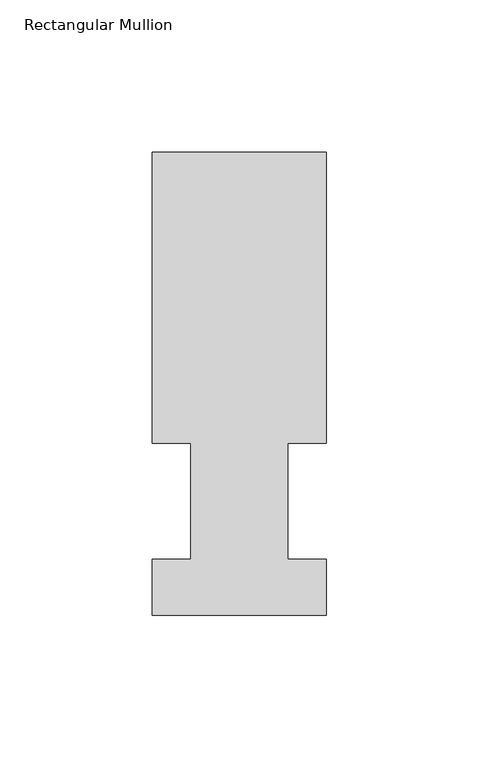
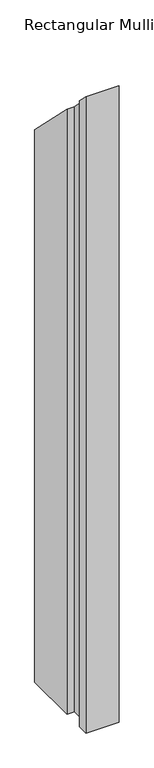
"""IFC4 building model written with IfcOpenShell, lengths in millimetres: member geometry, Rectangular Mullion."""

import ifcopenshell
import ifcopenshell.guid

model = None  # the IFC model being written
_history = None  # IfcOwnerHistory: only IFC2X3 demands one
_inside = {}  # id of a spatial element -> (the spatial element, [elements in it])
_under = {}  # id of a project, library or spatial element -> (it, [spatial elements below it])
_declared = {}  # id of a project -> (the project, [libraries it declares])
_typed = {}  # id of a type object -> (the type object, [elements of that type])
_made_of = {}  # id of a material, layer set ... -> (it, [elements and type objects made of it])


def new_model(schema):
    """Start an empty IFC model of exactly this schema.

    Asked for "IFC4X3", IfcOpenShell would pick the latest addendum, in which some entities
    have other attributes; the version numbers below select the first issue.
    IFC2X3 requires an IfcOwnerHistory on every rooted entity: one is made here for all.
    """
    global model, _history
    if schema == "IFC4X3":
        model = ifcopenshell.file(schema_version=(4, 3, 0, 0))
    else:
        model = ifcopenshell.file(schema=schema)
    _inside.clear()
    _under.clear()
    _declared.clear()
    _typed.clear()
    _made_of.clear()
    _history = None
    if model.schema == "IFC2X3":
        org = make("IfcOrganization", Name="unknown")
        user = make(
            "IfcPersonAndOrganization",
            ThePerson=make("IfcPerson", FamilyName="unknown"),
            TheOrganization=org,
        )
        app = make(
            "IfcApplication",
            ApplicationDeveloper=org,
            Version="unknown",
            ApplicationFullName="unknown",
            ApplicationIdentifier="unknown",
        )
        _history = make(
            "IfcOwnerHistory",
            OwningUser=user,
            OwningApplication=app,
            ChangeAction="ADDED",
            CreationDate=0,
        )
    return model


def make(cls, **values):
    """One entity of the class cls with the attributes given. An attribute that is None is left unset."""
    return model.create_entity(
        cls, **{name: value for name, value in values.items() if value is not None}
    )


def rooted(cls, **values):
    """An entity with a GlobalId (a new one), such as an element, a storey or a relation."""
    return make(cls, GlobalId=ifcopenshell.guid.new(), OwnerHistory=_history, **values)


def si_unit(unit_type, name, prefix=None):
    """IfcSIUnit, for example si_unit("LENGTHUNIT", "METRE", prefix="MILLI")."""
    return make("IfcSIUnit", UnitType=unit_type, Prefix=prefix, Name=name)


def assignment(units):
    """IfcUnitAssignment: the units of a project."""
    return None if units is None else make("IfcUnitAssignment", Units=units)


def point(xyz):
    """IfcCartesianPoint."""
    return None if xyz is None else make("IfcCartesianPoint", Coordinates=xyz)


def direction(xyz):
    """IfcDirection."""
    return None if xyz is None else make("IfcDirection", DirectionRatios=xyz)


def frame(location, z_axis=None, x_axis=None):
    """IfcAxis2Placement3D, a coordinate frame: its origin and axes. An axis left out is left unset."""
    return make(
        "IfcAxis2Placement3D",
        Location=point(location),
        Axis=direction(z_axis),
        RefDirection=direction(x_axis),
    )


def origin():
    """The frame at (0, 0, 0) with its axes left unset."""
    return frame((0.0, 0.0, 0.0))


def place(relative_to, where):
    """IfcLocalPlacement: puts the frame where relative to a parent placement (None: the world)."""
    return make(
        "IfcLocalPlacement", PlacementRelTo=relative_to, RelativePlacement=where
    )


def context(
    kind, dimensions, precision=None, world=None, true_north=None, identifier=None
):
    """IfcGeometricRepresentationContext, for example the 3D "Model" context."""
    return make(
        "IfcGeometricRepresentationContext",
        ContextIdentifier=identifier,
        ContextType=kind,
        CoordinateSpaceDimension=dimensions,
        Precision=precision,
        WorldCoordinateSystem=world,
        TrueNorth=true_north,
    )


def project(units=None, contexts=None):
    """IfcProject with its units and contexts."""
    return rooted(
        "IfcProject",
        Name="project",
        RepresentationContexts=contexts,
        UnitsInContext=assignment(units),
    )


def spatial(cls, under=None, at=None, **own):
    """A site, building, storey or space (cls), placed at a placement, below another one or the project."""
    s = rooted(cls, ObjectPlacement=at, **own)
    if under is not None:
        _under.setdefault(under.id(), (under, []))[1].append(s)
    return s


def faces_of(points, faces, orient=None, outer=None):
    """IfcFace entities. A face is a list of loops; a loop is a list of indices into points, from 0.

    orient and outer hold one flag for each loop. By default every Orientation is true, the
    first loop of a face is its IfcFaceOuterBound and the others are IfcFaceBound.
    """
    made = []
    for i, loops in enumerate(faces):
        bounds = []
        for j, loop in enumerate(loops):
            is_outer = j == 0 if outer is None else outer[i][j]
            bounds.append(
                make(
                    "IfcFaceOuterBound" if is_outer else "IfcFaceBound",
                    Bound=make("IfcPolyLoop", Polygon=[points[k] for k in loop]),
                    Orientation=True if orient is None else orient[i][j],
                )
            )
        made.append(make("IfcFace", Bounds=bounds))
    return made


def faceted_brep(points, faces, orient=None, outer=None, voids=None):
    """IfcFacetedBrep: a solid bounded by flat faces; with voids (closed shells), ...WithVoids."""
    shared = [point(p) for p in points]
    hull = make("IfcClosedShell", CfsFaces=faces_of(shared, faces, orient, outer))
    if voids is None:
        return make("IfcFacetedBrep", Outer=hull)
    return make(
        "IfcFacetedBrepWithVoids",
        Outer=hull,
        Voids=[
            make(cls, CfsFaces=faces_of(shared, fs, o, b)) for cls, fs, o, b in voids
        ],
    )


def shape(context_of_items, identifier, shape_type, items):
    """IfcShapeRepresentation: the items that make up one representation, for example the "Body"."""
    return make(
        "IfcShapeRepresentation",
        ContextOfItems=context_of_items,
        RepresentationIdentifier=identifier,
        RepresentationType=shape_type,
        Items=items,
    )


def source(mapping_origin, context_of_items, identifier, shape_type, items):
    """IfcRepresentationMap: a shape defined once, which mapped items show again and again."""
    return make(
        "IfcRepresentationMap",
        MappingOrigin=mapping_origin,
        MappedRepresentation=shape(context_of_items, identifier, shape_type, items),
    )


def transform(
    local_origin,
    x_axis=None,
    y_axis=None,
    z_axis=None,
    scale=None,
    scale2=None,
    scale3=None,
    uniform=True,
):
    """IfcCartesianTransformationOperator3D, or its non-uniform kind. x_axis, y_axis, z_axis: its Axis1, 2, 3."""
    if uniform:
        return make(
            "IfcCartesianTransformationOperator3D",
            Axis1=direction(x_axis),
            Axis2=direction(y_axis),
            LocalOrigin=point(local_origin),
            Scale=scale,
            Axis3=direction(z_axis),
        )
    return make(
        "IfcCartesianTransformationOperator3DnonUniform",
        Axis1=direction(x_axis),
        Axis2=direction(y_axis),
        LocalOrigin=point(local_origin),
        Scale=scale,
        Axis3=direction(z_axis),
        Scale2=scale2,
        Scale3=scale3,
    )


def mapped(mapping_source, mapping_target):
    """IfcMappedItem: shows the shape of a source again, moved by a transform."""
    return make(
        "IfcMappedItem", MappingSource=mapping_source, MappingTarget=mapping_target
    )


def made_of(thing, what):
    """Note that an element or type object is made of a material, layer set ...; save() writes the relation."""
    if what is not None:
        _made_of.setdefault(what.id(), (what, []))[1].append(thing)
    return thing


def element(
    cls,
    number,
    at=None,
    inside=None,
    cuts=None,
    type_object=None,
    material=None,
    context=None,
    identifier="Body",
    shape_type=None,
    held_by="IfcProductDefinitionShape",
    body=None,
    shapes=None,
    **own,
):
    """One element of the class cls, such as IfcWall. Its Tag is "e" and its number.

    at: its placement. inside: the storey or other place that contains it. cuts: it is an
    opening in that element (IfcRelVoidsElement). A single representation is given by context,
    identifier, shape_type and body (its items); several are given by shapes. held_by: the class
    of the entity that holds the representations. save() writes the other relations.
    """
    e = rooted(cls, Tag="e%d" % number, ObjectPlacement=at, **own)
    if body is not None:
        shapes = [shape(context, identifier, shape_type, body)]
    if shapes is not None:
        e.Representation = make(held_by, Representations=shapes)
    if inside is not None:
        _inside.setdefault(inside.id(), (inside, []))[1].append(e)
    if cuts is not None:
        rooted(
            "IfcRelVoidsElement", RelatingBuildingElement=cuts, RelatedOpeningElement=e
        )
    if type_object is not None:
        _typed.setdefault(type_object.id(), (type_object, []))[1].append(e)
    return made_of(e, material)


def aggregate(whole, parts):
    """IfcRelAggregates: a whole, such as a stair, and the parts it consists of."""
    return rooted("IfcRelAggregates", RelatingObject=whole, RelatedObjects=parts)


def save(model, path):
    """Write the relations noted so far, then the file.

    IfcRelAggregates (storeys below a building ...), IfcRelContainedInSpatialStructure (elements
    in a storey), IfcRelDefinesByType, IfcRelAssociatesMaterial and IfcRelDeclares: one each for
    every whole, place, type object, material and project.
    """
    for whole, parts in _under.values():
        aggregate(whole, parts)
    for where, things in _inside.values():
        rooted(
            "IfcRelContainedInSpatialStructure",
            RelatedElements=things,
            RelatingStructure=where,
        )
    for kind, things in _typed.values():
        rooted("IfcRelDefinesByType", RelatedObjects=things, RelatingType=kind)
    for what, things in _made_of.values():
        rooted("IfcRelAssociatesMaterial", RelatedObjects=things, RelatingMaterial=what)
    for by, libraries in _declared.values():
        rooted("IfcRelDeclares", RelatingContext=by, RelatedDefinitions=libraries)
    model.write(path)


def rectangular_mullion_9b61cf0e(model_context):
    return source(origin(), model_context, "Body", "Brep", [
        faceted_brep([(0.0, 151.98725, -1152.46785), (0.0, 56.35625, -1152.46785), (-12.7, 56.35625, -1152.46785), (-12.7, 18.25625, -1152.46785), (0.0, 18.25625, -1152.46785), (0.0, -0.03175, -1152.46785), (-57.15, -0.03175, -1152.46785), (-57.15, 18.25625, -1152.46785), (-44.45, 18.25625, -1152.46785), (-44.45, 56.35625, -1152.46785), (-57.15, 56.35625, -1152.46785), (-57.15, 151.98725, -1152.46785), (-57.15, 151.98725, -151.98725), (0.0, 151.98725, -151.98725), (-57.15, 56.35625, -56.35625), (-44.45, 56.35625, -56.35625), (-44.45, 18.25625, -18.25625), (-57.15, 18.25625, -18.25625), (-57.15, -0.03175, 0.03175), (0.0, -0.03175, 0.03175), (0.0, 18.25625, -18.25625), (-12.7, 18.25625, -18.25625), (-12.7, 56.35625, -56.35625), (0.0, 56.35625, -56.35625)], [[[0, 1, 2, 3, 4, 5, 6, 7, 8, 9, 10, 11]], [[12, 13, 0, 11]], [[14, 12, 11, 10]], [[15, 14, 10, 9]], [[16, 15, 9, 8]], [[17, 16, 8, 7]], [[18, 17, 7, 6]], [[19, 18, 6, 5]], [[20, 19, 5, 4]], [[21, 20, 4, 3]], [[22, 21, 3, 2]], [[23, 22, 2, 1]], [[13, 23, 1, 0]], [[13, 12, 14, 15, 16, 17, 18, 19, 20, 21, 22, 23]]]),
    ])


if __name__ == "__main__":
    model = new_model("IFC4")
    model_context = context("Model", 3, world=origin())
    ifc_project = project(units=[si_unit("LENGTHUNIT", "METRE", prefix="MILLI")], contexts=[model_context])
    site = spatial("IfcSite", under=ifc_project)
    building = spatial("IfcBuilding", under=site)
    placement = place(None, origin())
    rectangular_mullion_shape = rectangular_mullion_9b61cf0e(model_context)
    element("IfcMember", 1, ObjectType="Rectangular Mullion", at=placement, inside=building, context=model_context, shape_type="MappedRepresentation", body=[
        mapped(rectangular_mullion_shape, transform((0.0, 0.0, 0.0), x_axis=(1.0, 0.0, 0.0), y_axis=(0.0, 1.0, 0.0), z_axis=(0.0, 0.0, 1.0))),
    ])
    save(model, "model.ifc")
